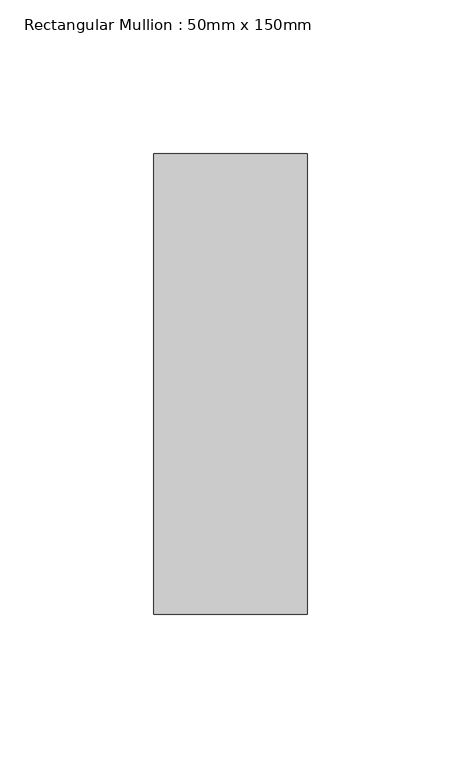
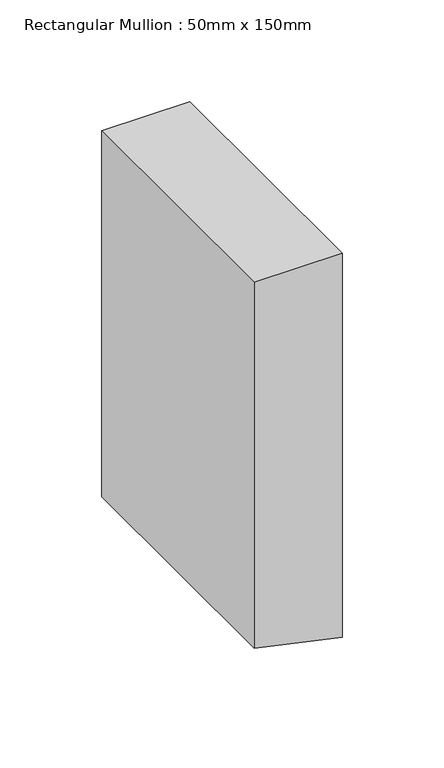
"""IFC4 building model written with IfcOpenShell, lengths in millimetres: member geometry, Rectangular Mullion : 50mm x 150mm."""

from ifc_helpers import new_model, si_unit, frame, origin, place, context, project, spatial, polyline, outline, extrude, source, transform, mapped, element, save


def rectangular_mullion_50mm_x_150mm_ab6ee58c(model_context):
    return source(origin(), model_context, "Body", "SweptSolid", [
        extrude(outline(polyline([(0.0, 0.0), (0.0, -50.0), (-219.7804819, -50.0), (-230.8133139, 0.0), (0.0, 0.0)])), frame((0.0, -75.0, 0.0), z_axis=(0.0, 1.0, 0.0), x_axis=(0.0, 0.0, 1.0)), (0.0, 0.0, 1.0), 150.0),
    ])


if __name__ == "__main__":
    model = new_model("IFC4")
    model_context = context("Model", 3, world=origin())
    ifc_project = project(units=[si_unit("LENGTHUNIT", "METRE", prefix="MILLI")], contexts=[model_context])
    site = spatial("IfcSite", under=ifc_project)
    building = spatial("IfcBuilding", under=site)
    placement = place(None, origin())
    rectangular_mullion_50mm_x_150mm_shape = rectangular_mullion_50mm_x_150mm_ab6ee58c(model_context)
    element("IfcMember", 1, ObjectType="Rectangular Mullion : 50mm x 150mm", at=placement, inside=building, context=model_context, shape_type="MappedRepresentation", body=[
        mapped(rectangular_mullion_50mm_x_150mm_shape, transform((0.0, 0.0, 0.0), x_axis=(1.0, 0.0, 0.0), y_axis=(0.0, 1.0, 0.0), z_axis=(0.0, 0.0, 1.0))),
    ])
    save(model, "model.ifc")
